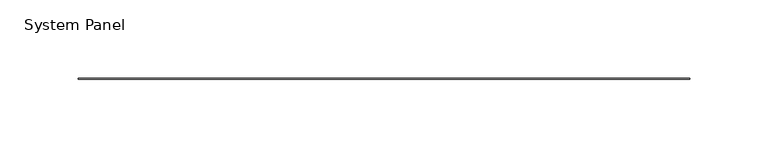
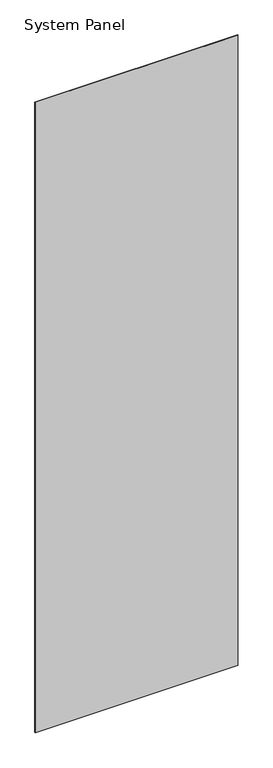
"""IFC4 building model written with IfcOpenShell, lengths in millimetres: plate geometry, System Panel."""

import ifcopenshell
import ifcopenshell.guid

model = None  # the IFC model being written
_history = None  # IfcOwnerHistory: only IFC2X3 demands one
_inside = {}  # id of a spatial element -> (the spatial element, [elements in it])
_under = {}  # id of a project, library or spatial element -> (it, [spatial elements below it])
_declared = {}  # id of a project -> (the project, [libraries it declares])
_typed = {}  # id of a type object -> (the type object, [elements of that type])
_made_of = {}  # id of a material, layer set ... -> (it, [elements and type objects made of it])


def new_model(schema):
    """Start an empty IFC model of exactly this schema.

    Asked for "IFC4X3", IfcOpenShell would pick the latest addendum, in which some entities
    have other attributes; the version numbers below select the first issue.
    IFC2X3 requires an IfcOwnerHistory on every rooted entity: one is made here for all.
    """
    global model, _history
    if schema == "IFC4X3":
        model = ifcopenshell.file(schema_version=(4, 3, 0, 0))
    else:
        model = ifcopenshell.file(schema=schema)
    _inside.clear()
    _under.clear()
    _declared.clear()
    _typed.clear()
    _made_of.clear()
    _history = None
    if model.schema == "IFC2X3":
        org = make("IfcOrganization", Name="unknown")
        user = make(
            "IfcPersonAndOrganization",
            ThePerson=make("IfcPerson", FamilyName="unknown"),
            TheOrganization=org,
        )
        app = make(
            "IfcApplication",
            ApplicationDeveloper=org,
            Version="unknown",
            ApplicationFullName="unknown",
            ApplicationIdentifier="unknown",
        )
        _history = make(
            "IfcOwnerHistory",
            OwningUser=user,
            OwningApplication=app,
            ChangeAction="ADDED",
            CreationDate=0,
        )
    return model


def make(cls, **values):
    """One entity of the class cls with the attributes given. An attribute that is None is left unset."""
    return model.create_entity(
        cls, **{name: value for name, value in values.items() if value is not None}
    )


def rooted(cls, **values):
    """An entity with a GlobalId (a new one), such as an element, a storey or a relation."""
    return make(cls, GlobalId=ifcopenshell.guid.new(), OwnerHistory=_history, **values)


def si_unit(unit_type, name, prefix=None):
    """IfcSIUnit, for example si_unit("LENGTHUNIT", "METRE", prefix="MILLI")."""
    return make("IfcSIUnit", UnitType=unit_type, Prefix=prefix, Name=name)


def assignment(units):
    """IfcUnitAssignment: the units of a project."""
    return None if units is None else make("IfcUnitAssignment", Units=units)


def point(xyz):
    """IfcCartesianPoint."""
    return None if xyz is None else make("IfcCartesianPoint", Coordinates=xyz)


def direction(xyz):
    """IfcDirection."""
    return None if xyz is None else make("IfcDirection", DirectionRatios=xyz)


def frame(location, z_axis=None, x_axis=None):
    """IfcAxis2Placement3D, a coordinate frame: its origin and axes. An axis left out is left unset."""
    return make(
        "IfcAxis2Placement3D",
        Location=point(location),
        Axis=direction(z_axis),
        RefDirection=direction(x_axis),
    )


def origin():
    """The frame at (0, 0, 0) with its axes left unset."""
    return frame((0.0, 0.0, 0.0))


def origin_with_axes():
    """The frame at (0, 0, 0) with the z axis (0, 0, 1) and the x axis (1, 0, 0) written out."""
    return frame((0.0, 0.0, 0.0), z_axis=(0.0, 0.0, 1.0), x_axis=(1.0, 0.0, 0.0))


def place(relative_to, where):
    """IfcLocalPlacement: puts the frame where relative to a parent placement (None: the world)."""
    return make(
        "IfcLocalPlacement", PlacementRelTo=relative_to, RelativePlacement=where
    )


def context(
    kind, dimensions, precision=None, world=None, true_north=None, identifier=None
):
    """IfcGeometricRepresentationContext, for example the 3D "Model" context."""
    return make(
        "IfcGeometricRepresentationContext",
        ContextIdentifier=identifier,
        ContextType=kind,
        CoordinateSpaceDimension=dimensions,
        Precision=precision,
        WorldCoordinateSystem=world,
        TrueNorth=true_north,
    )


def project(units=None, contexts=None):
    """IfcProject with its units and contexts."""
    return rooted(
        "IfcProject",
        Name="project",
        RepresentationContexts=contexts,
        UnitsInContext=assignment(units),
    )


def spatial(cls, under=None, at=None, **own):
    """A site, building, storey or space (cls), placed at a placement, below another one or the project."""
    s = rooted(cls, ObjectPlacement=at, **own)
    if under is not None:
        _under.setdefault(under.id(), (under, []))[1].append(s)
    return s


def polyline(points):
    """IfcPolyline through the points."""
    return make("IfcPolyline", Points=[point(p) for p in points])


def outline(outer, holes=None, kind="AREA"):
    """IfcArbitraryClosedProfileDef: a profile drawn as a closed curve; with holes, ...WithVoids."""
    if holes is None:
        return make("IfcArbitraryClosedProfileDef", ProfileType=kind, OuterCurve=outer)
    return make(
        "IfcArbitraryProfileDefWithVoids",
        ProfileType=kind,
        OuterCurve=outer,
        InnerCurves=holes,
    )


def extrude(swept, where, along, depth):
    """IfcExtrudedAreaSolid: the profile swept, set in the frame where, extruded along a direction by depth."""
    return make(
        "IfcExtrudedAreaSolid",
        SweptArea=swept,
        Position=where,
        ExtrudedDirection=direction(along),
        Depth=depth,
    )


def shape(context_of_items, identifier, shape_type, items):
    """IfcShapeRepresentation: the items that make up one representation, for example the "Body"."""
    return make(
        "IfcShapeRepresentation",
        ContextOfItems=context_of_items,
        RepresentationIdentifier=identifier,
        RepresentationType=shape_type,
        Items=items,
    )


def source(mapping_origin, context_of_items, identifier, shape_type, items):
    """IfcRepresentationMap: a shape defined once, which mapped items show again and again."""
    return make(
        "IfcRepresentationMap",
        MappingOrigin=mapping_origin,
        MappedRepresentation=shape(context_of_items, identifier, shape_type, items),
    )


def transform(
    local_origin,
    x_axis=None,
    y_axis=None,
    z_axis=None,
    scale=None,
    scale2=None,
    scale3=None,
    uniform=True,
):
    """IfcCartesianTransformationOperator3D, or its non-uniform kind. x_axis, y_axis, z_axis: its Axis1, 2, 3."""
    if uniform:
        return make(
            "IfcCartesianTransformationOperator3D",
            Axis1=direction(x_axis),
            Axis2=direction(y_axis),
            LocalOrigin=point(local_origin),
            Scale=scale,
            Axis3=direction(z_axis),
        )
    return make(
        "IfcCartesianTransformationOperator3DnonUniform",
        Axis1=direction(x_axis),
        Axis2=direction(y_axis),
        LocalOrigin=point(local_origin),
        Scale=scale,
        Axis3=direction(z_axis),
        Scale2=scale2,
        Scale3=scale3,
    )


def mapped(mapping_source, mapping_target):
    """IfcMappedItem: shows the shape of a source again, moved by a transform."""
    return make(
        "IfcMappedItem", MappingSource=mapping_source, MappingTarget=mapping_target
    )


def made_of(thing, what):
    """Note that an element or type object is made of a material, layer set ...; save() writes the relation."""
    if what is not None:
        _made_of.setdefault(what.id(), (what, []))[1].append(thing)
    return thing


def element(
    cls,
    number,
    at=None,
    inside=None,
    cuts=None,
    type_object=None,
    material=None,
    context=None,
    identifier="Body",
    shape_type=None,
    held_by="IfcProductDefinitionShape",
    body=None,
    shapes=None,
    **own,
):
    """One element of the class cls, such as IfcWall. Its Tag is "e" and its number.

    at: its placement. inside: the storey or other place that contains it. cuts: it is an
    opening in that element (IfcRelVoidsElement). A single representation is given by context,
    identifier, shape_type and body (its items); several are given by shapes. held_by: the class
    of the entity that holds the representations. save() writes the other relations.
    """
    e = rooted(cls, Tag="e%d" % number, ObjectPlacement=at, **own)
    if body is not None:
        shapes = [shape(context, identifier, shape_type, body)]
    if shapes is not None:
        e.Representation = make(held_by, Representations=shapes)
    if inside is not None:
        _inside.setdefault(inside.id(), (inside, []))[1].append(e)
    if cuts is not None:
        rooted(
            "IfcRelVoidsElement", RelatingBuildingElement=cuts, RelatedOpeningElement=e
        )
    if type_object is not None:
        _typed.setdefault(type_object.id(), (type_object, []))[1].append(e)
    return made_of(e, material)


def aggregate(whole, parts):
    """IfcRelAggregates: a whole, such as a stair, and the parts it consists of."""
    return rooted("IfcRelAggregates", RelatingObject=whole, RelatedObjects=parts)


def save(model, path):
    """Write the relations noted so far, then the file.

    IfcRelAggregates (storeys below a building ...), IfcRelContainedInSpatialStructure (elements
    in a storey), IfcRelDefinesByType, IfcRelAssociatesMaterial and IfcRelDeclares: one each for
    every whole, place, type object, material and project.
    """
    for whole, parts in _under.values():
        aggregate(whole, parts)
    for where, things in _inside.values():
        rooted(
            "IfcRelContainedInSpatialStructure",
            RelatedElements=things,
            RelatingStructure=where,
        )
    for kind, things in _typed.values():
        rooted("IfcRelDefinesByType", RelatedObjects=things, RelatingType=kind)
    for what, things in _made_of.values():
        rooted("IfcRelAssociatesMaterial", RelatedObjects=things, RelatingMaterial=what)
    for by, libraries in _declared.values():
        rooted("IfcRelDeclares", RelatingContext=by, RelatedDefinitions=libraries)
    model.write(path)


def system_panel_a73719e7(model_context):
    return source(origin(), model_context, "Body", "SweptSolid", [
        extrude(outline(polyline([(195.5165, -0.2976563), (-195.5165, -0.2976563), (-195.5165, 0.2976563), (195.5165, 0.2976563), (195.5165, -0.2976563)])), origin_with_axes(), (0.0, 0.0, 1.0), 1285.875),
    ])


if __name__ == "__main__":
    model = new_model("IFC4")
    model_context = context("Model", 3, world=origin())
    ifc_project = project(units=[si_unit("LENGTHUNIT", "METRE", prefix="MILLI")], contexts=[model_context])
    site = spatial("IfcSite", under=ifc_project)
    building = spatial("IfcBuilding", under=site)
    placement = place(None, origin())
    system_panel_shape = system_panel_a73719e7(model_context)
    element("IfcPlate", 1, ObjectType="System Panel", at=placement, inside=building, context=model_context, shape_type="MappedRepresentation", body=[
        mapped(system_panel_shape, transform((0.0, 0.0, 0.0), x_axis=(1.0, 0.0, 0.0), y_axis=(0.0, 1.0, 0.0), z_axis=(0.0, 0.0, 1.0))),
    ])
    save(model, "model.ifc")
